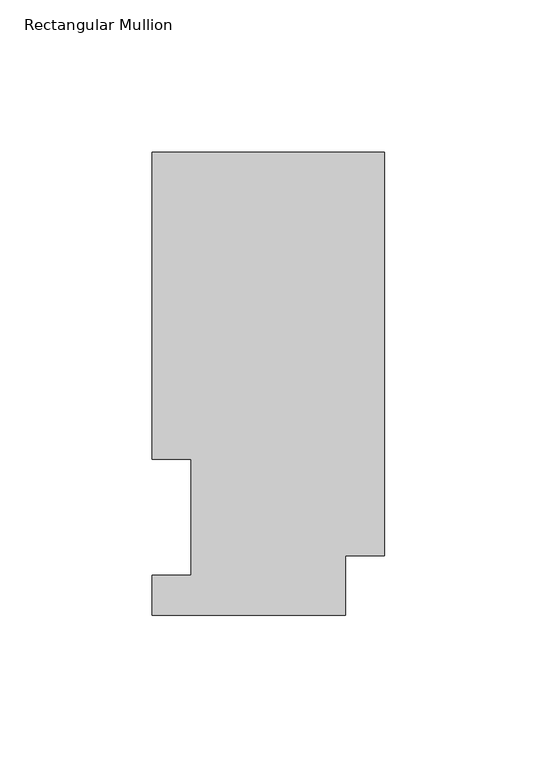
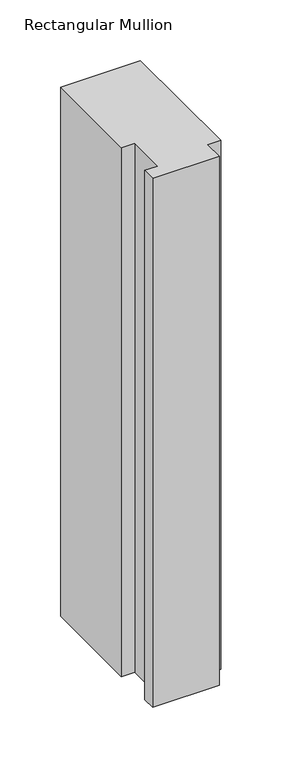
"""IFC4 building model written with IfcOpenShell, lengths in millimetres: member geometry, Rectangular Mullion."""

from ifc_helpers import new_model, si_unit, frame, origin, place, context, project, spatial, polyline, outline, extrude, source, transform, mapped, element, save


def rectangular_mullion_f8e23be5(model_context):
    return source(origin(), model_context, "Body", "SweptSolid", [
        extrude(outline(polyline([(-76.2000004, 151.9054938), (0.0, 151.9054938), (0.0, 19.5460937), (-12.7000004, 19.5460937), (-12.7000004, 0.0134937), (-76.1943324, 0.0134937), (-76.1943324, 13.1960937), (-63.4943324, 13.1960937), (-63.4943324, 51.2960937), (-76.2000004, 51.2960938), (-76.2000004, 151.9054938)])), frame((0.0, 0.0, -533.4), z_axis=(0.0, 0.0, 1.0), x_axis=(1.0, 0.0, 0.0)), (0.0, 0.0, 1.0), 533.4),
    ])


if __name__ == "__main__":
    model = new_model("IFC4")
    model_context = context("Model", 3, world=origin())
    ifc_project = project(units=[si_unit("LENGTHUNIT", "METRE", prefix="MILLI")], contexts=[model_context])
    site = spatial("IfcSite", under=ifc_project)
    building = spatial("IfcBuilding", under=site)
    placement = place(None, origin())
    rectangular_mullion_shape = rectangular_mullion_f8e23be5(model_context)
    element("IfcMember", 1, ObjectType="Rectangular Mullion", at=placement, inside=building, context=model_context, shape_type="MappedRepresentation", body=[
        mapped(rectangular_mullion_shape, transform((0.0, 0.0, 0.0), x_axis=(1.0, 0.0, 0.0), y_axis=(0.0, 1.0, 0.0), z_axis=(0.0, 0.0, 1.0))),
    ])
    save(model, "model.ifc")
